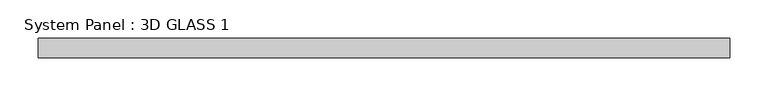
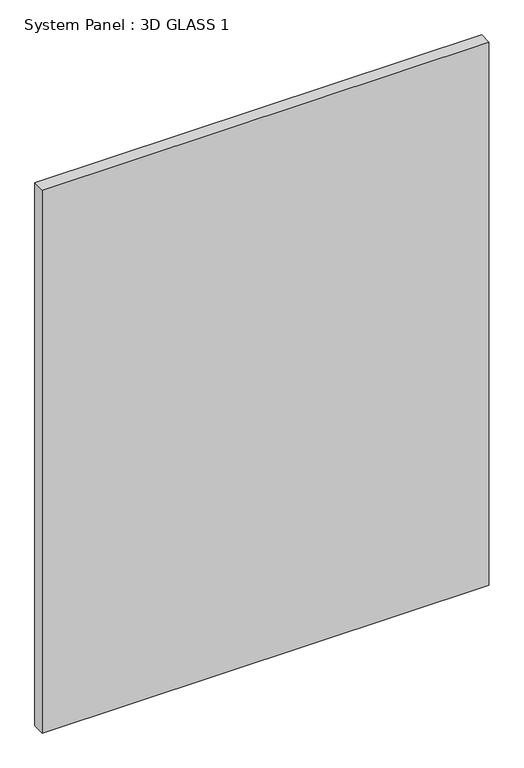
"""IFC4 building model written with IfcOpenShell, lengths in millimetres: plate geometry, System Panel : 3D GLASS 1."""

from ifc_helpers import new_model, si_unit, origin, origin_with_axes, place, context, project, spatial, polyline, outline, extrude, source, transform, mapped, element, save


def system_panel_3d_glass_1_e677f7d9(model_context):
    return source(origin(), model_context, "Body", "SweptSolid", [
        extrude(outline(polyline([(452.4375, -12.7), (-452.4375, -12.7), (-452.4375, 12.7), (452.4375, 12.7), (452.4375, -12.7)])), origin_with_axes(), (0.0, 0.0, 1.0), 1162.9845854),
    ])


if __name__ == "__main__":
    model = new_model("IFC4")
    model_context = context("Model", 3, world=origin())
    ifc_project = project(units=[si_unit("LENGTHUNIT", "METRE", prefix="MILLI")], contexts=[model_context])
    site = spatial("IfcSite", under=ifc_project)
    building = spatial("IfcBuilding", under=site)
    placement = place(None, origin())
    system_panel_3d_glass_1_shape = system_panel_3d_glass_1_e677f7d9(model_context)
    element("IfcPlate", 1, ObjectType="System Panel : 3D GLASS 1", at=placement, inside=building, context=model_context, shape_type="MappedRepresentation", body=[
        mapped(system_panel_3d_glass_1_shape, transform((0.0, 0.0, 0.0), x_axis=(1.0, 0.0, 0.0), y_axis=(0.0, 1.0, 0.0), z_axis=(0.0, 0.0, 1.0))),
    ])
    save(model, "model.ifc")
